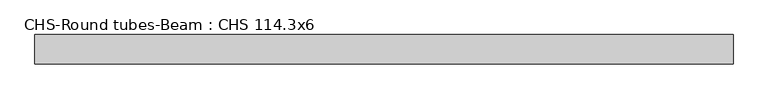
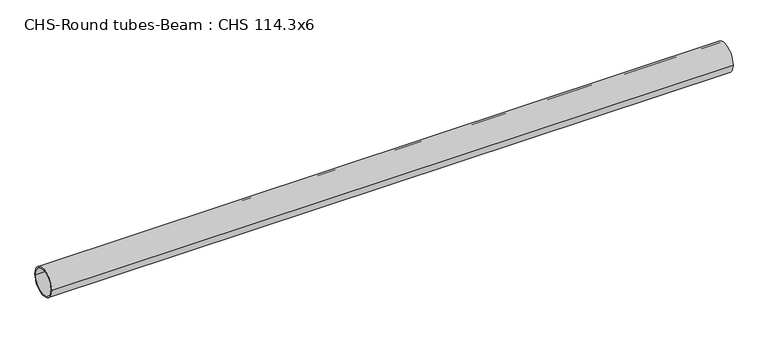
"""IFC4 building model written with IfcOpenShell, lengths in millimetres: beam geometry, CHS-Round tubes-Beam : CHS 114.3x6."""

from ifc_helpers import new_model, si_unit, point, frame, origin, origin_2d, place, context, project, spatial, circle_curve, trimmed, segment, composite_curve, outline, extrude, source, transform, mapped, element, save


def chs_round_tubes_beam_chs_114_3x6_c0984828(model_context):
    return source(origin(), model_context, "Body", "SweptSolid", [
        extrude(outline(composite_curve([segment(trimmed(circle_curve(origin_2d(), 57.15), [point((57.15, 0.0))], [point((-57.15, 0.0))], False, "CARTESIAN"), True, "CONTINUOUS"), segment(trimmed(circle_curve(origin_2d(), 57.15), [point((-57.15, 0.0))], [point((57.15, 0.0))], False, "CARTESIAN"), True, "CONTINUOUS")], self_intersect=False), holes=[composite_curve([segment(trimmed(circle_curve(origin_2d(), 51.15), [point((51.15, 0.0))], [point((-51.15, 0.0))], True, "CARTESIAN"), True, "CONTINUOUS"), segment(trimmed(circle_curve(origin_2d(), 51.15), [point((-51.15, 0.0))], [point((51.15, 0.0))], True, "CARTESIAN"), True, "CONTINUOUS")], self_intersect=False)]), frame((-1312.552503, 0.0, 0.0), z_axis=(1.0, 0.0, 0.0), x_axis=(0.0, 1.0, 0.0)), (0.0, 0.0, 1.0), 2707.2962988),
    ])


if __name__ == "__main__":
    model = new_model("IFC4")
    model_context = context("Model", 3, world=origin())
    ifc_project = project(units=[si_unit("LENGTHUNIT", "METRE", prefix="MILLI")], contexts=[model_context])
    site = spatial("IfcSite", under=ifc_project)
    building = spatial("IfcBuilding", under=site)
    placement = place(None, origin())
    chs_round_tubes_beam_chs_114_3x6_shape = chs_round_tubes_beam_chs_114_3x6_c0984828(model_context)
    element("IfcBeam", 1, ObjectType="CHS-Round tubes-Beam : CHS 114.3x6", at=placement, inside=building, context=model_context, shape_type="MappedRepresentation", body=[
        mapped(chs_round_tubes_beam_chs_114_3x6_shape, transform((0.0, 0.0, 0.0), x_axis=(1.0, 0.0, 0.0), y_axis=(0.0, 1.0, 0.0), z_axis=(0.0, 0.0, 1.0))),
    ])
    save(model, "model.ifc")
